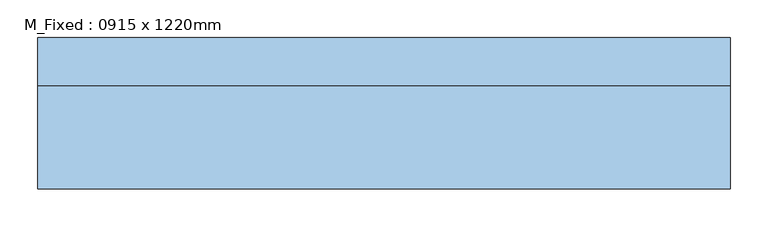
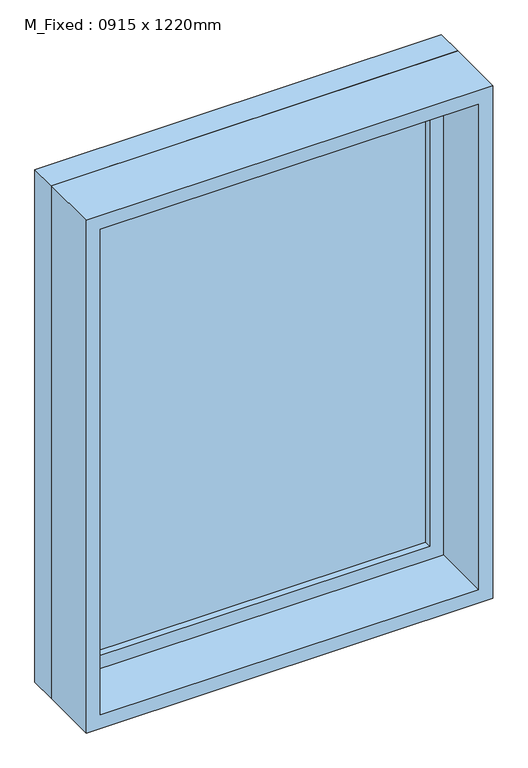
"""IFC4 building model written with IfcOpenShell, lengths in millimetres: window geometry, M_Fixed : 0915 x 1220mm."""

from ifc_helpers import new_model, si_unit, frame, origin, place, context, project, spatial, polyline, outline, extrude, source, transform, mapped, element, save


def m_fixed_0915_x_1220mm_488fb2fb(model_context):
    return source(origin(), model_context, "Body", "SweptSolid", [
        extrude(outline(polyline([(-394.5, 78.0), (394.5, 78.0), (394.5, 66.0), (-394.5, 66.0), (-394.5, 78.0)])), frame((0.0, 0.0, 978.0), z_axis=(0.0, 0.0, 1.0), x_axis=(1.0, 0.0, 0.0)), (0.0, 0.0, 1.0), 1094.0),
        extrude(outline(polyline([(2116.0, -438.5), (934.0, -438.5), (934.0, 438.5), (2116.0, 438.5), (2116.0, -438.5)]), holes=[polyline([(2072.0, -394.5), (2072.0, 394.5), (978.0, 394.5), (978.0, -394.5), (2072.0, -394.5)])]), frame((0.0, 50.0, 0.0), z_axis=(0.0, 1.0, 0.0), x_axis=(0.0, 0.0, 1.0)), (0.0, 0.0, 1.0), 44.0),
        extrude(outline(polyline([(2135.0, -457.5), (915.0, -457.5), (915.0, 457.5), (2135.0, 457.5), (2135.0, -457.5)]), holes=[polyline([(2116.0, -438.5), (2116.0, 438.5), (934.0, 438.5), (934.0, -438.5), (2116.0, -438.5)])]), frame((0.0, 50.0, 0.0), z_axis=(0.0, 1.0, 0.0), x_axis=(0.0, 0.0, 1.0)), (0.0, 0.0, 1.0), 63.0),
        extrude(outline(polyline([(2135.0, -457.5), (915.0, -457.5), (915.0, 457.5), (2135.0, 457.5), (2135.0, -457.5)]), holes=[polyline([(2103.0, -425.5), (2103.0, 425.5), (947.0, 425.5), (947.0, -425.5), (2103.0, -425.5)])]), frame((0.0, -87.0, 0.0), z_axis=(0.0, 1.0, 0.0), x_axis=(0.0, 0.0, 1.0)), (0.0, 0.0, 1.0), 137.0),
    ])


if __name__ == "__main__":
    model = new_model("IFC4")
    model_context = context("Model", 3, world=origin())
    ifc_project = project(units=[si_unit("LENGTHUNIT", "METRE", prefix="MILLI")], contexts=[model_context])
    site = spatial("IfcSite", under=ifc_project)
    building = spatial("IfcBuilding", under=site)
    placement = place(None, origin())
    m_fixed_0915_x_1220mm_shape = m_fixed_0915_x_1220mm_488fb2fb(model_context)
    element("IfcWindow", 1, ObjectType="M_Fixed : 0915 x 1220mm", at=placement, inside=building, context=model_context, shape_type="MappedRepresentation", body=[
        mapped(m_fixed_0915_x_1220mm_shape, transform((0.0, 0.0, 0.0), x_axis=(1.0, 0.0, 0.0), y_axis=(0.0, 1.0, 0.0), z_axis=(0.0, 0.0, 1.0))),
    ])
    save(model, "model.ifc")
